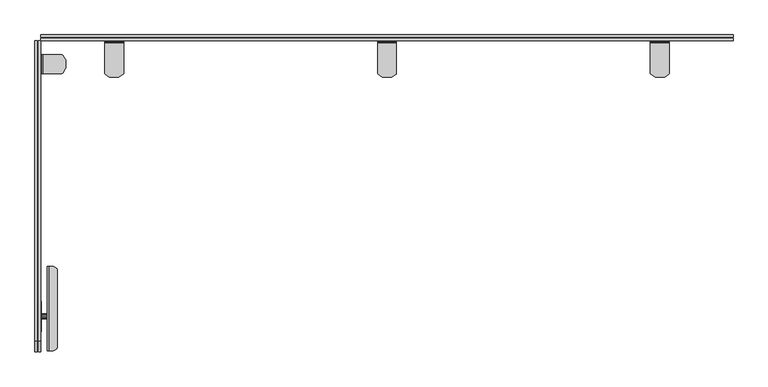
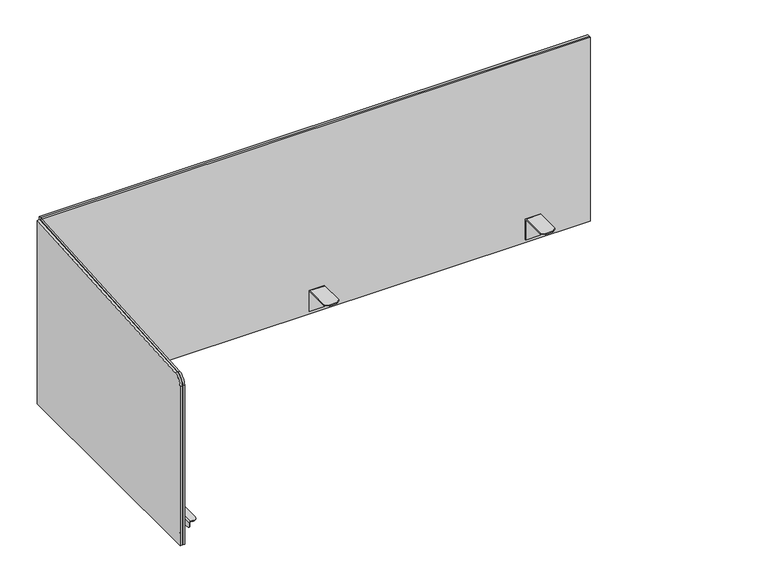
"""IFC4 building model written with IfcOpenShell, lengths in millimetres: furniture geometry."""

from ifc_helpers import new_model, si_unit, point, frame, frame_2d, origin, place, context, project, spatial, polyline, circle_curve, trimmed, segment, composite_curve, outline, extrude, faceted_brep, source, transform, mapped, element, save
from ifc_brep_helpers import plane_surface, cylinder_surface, advanced_brep


def furniture_edfdad1c(model_context):
    return source(origin(), model_context, "Body", "SolidModel", [
        extrude(outline(polyline([(-538.9641953, 701.6102412), (-533.8842001, 700.2490597), (-530.1653864, 696.530246), (-528.8087787, 691.4673203), (-528.8087787, 645.7131523), (-530.1653864, 640.6502266), (-533.8842001, 636.9314129), (-538.9641953, 635.5702315), (-583.4142074, 635.5702315), (-588.4942025, 636.9314129), (-592.2130162, 640.6502266), (-593.6239901, 645.9160497), (-593.6239901, 691.264423), (-592.2130162, 696.530246), (-588.4942025, 700.2490597), (-583.4142074, 701.6102412), (-538.9641953, 701.6102412)])), frame((0.0, 0.0, 0.0), z_axis=(1.0, 0.0, 0.0), x_axis=(0.0, 1.0, 0.0)), (0.0, 0.0, 1.0), 1.5260599),
        extrude(outline(composite_curve([segment(polyline([(690.1065829, 13.9575148), (690.1065829, 15.73666)]), True, "CONTINUOUS"), segment(trimmed(circle_curve(frame_2d((690.1810291, 17.1842629)), 1.449516), [point((690.1065829, 15.73666))], [point((691.6305451, 17.1842629))], True, "CARTESIAN"), True, "CONTINUOUS"), segment(polyline([(691.6305451, 17.1842629), (693.4085616, 17.1842629)]), True, "CONTINUOUS"), segment(trimmed(circle_curve(frame_2d((690.1809564, 17.1842629)), 3.2276051), [point((693.4085616, 17.1842629))], [point((690.1065829, 13.9575148))], False, "CARTESIAN"), True, "CONTINUOUS")], self_intersect=False)), frame((0.0, -634.341186, 0.0), z_axis=(0.0, 1.0, 0.0), x_axis=(0.0, 0.0, 1.0)), (0.0, 0.0, 1.0), 179.8320102),
        extrude(outline(polyline([(-565.6380395, 651.5024712), (-562.888498, 653.500169), (-559.4898683, 653.500169), (-556.7403268, 651.5024712), (-555.6901002, 648.270183), (-556.7403268, 645.0378949), (-559.4898683, 643.0402697), (-562.888498, 643.0402697), (-565.6380395, 645.0378949), (-566.6883024, 648.270183), (-565.6380395, 651.5024712)])), frame((1.5260599, 0.0, 0.0), z_axis=(1.0, 0.0, 0.0), x_axis=(0.0, 1.0, 0.0)), (0.0, 0.0, 1.0), 12.4305979),
        extrude(outline(composite_curve([segment(polyline([(17.1842629, -454.5091759), (24.6255536, -454.5091759)]), True, "CONTINUOUS"), segment(trimmed(circle_curve(frame_2d((24.6255536, -465.6842955)), 11.1751197), [point((24.6255536, -454.5091759))], [point((35.8006733, -465.6842955))], False, "CARTESIAN"), True, "CONTINUOUS"), segment(polyline([(35.8006733, -465.6842955), (35.8006733, -623.29912)]), True, "CONTINUOUS"), segment(trimmed(circle_curve(frame_2d((24.7586072, -623.29912)), 11.0420661), [point((35.8006733, -623.29912))], [point((24.7586072, -634.341186))], False, "CARTESIAN"), True, "CONTINUOUS"), segment(polyline([(24.7586072, -634.341186), (17.1842629, -634.341186), (17.1842629, -454.5091759)]), True, "CONTINUOUS")], self_intersect=False)), frame((0.0, 0.0, 691.6305451), z_axis=(0.0, 0.0, 1.0), x_axis=(1.0, 0.0, 0.0)), (0.0, 0.0, 1.0), 1.7780165),
        extrude(outline(composite_curve([segment(polyline([(-454.5091759, 690.1065829), (-454.5091759, 666.7385567)]), True, "CONTINUOUS"), segment(trimmed(circle_curve(frame_2d((-460.8591759, 666.7385567)), 6.35), [point((-454.5091759, 666.7385567))], [point((-460.8591759, 660.3885567))], False, "CARTESIAN"), True, "CONTINUOUS"), segment(polyline([(-460.8591759, 660.3885567), (-523.0891953, 660.3885567)]), True, "CONTINUOUS"), segment(trimmed(circle_curve(frame_2d((-523.0891953, 654.0385567)), 6.35), [point((-523.0891953, 660.3885567))], [point((-529.4391953, 654.0385567))], True, "CARTESIAN"), True, "CONTINUOUS"), segment(polyline([(-529.4391953, 654.0385567), (-529.4391953, 639.814546)]), True, "CONTINUOUS"), segment(trimmed(circle_curve(frame_2d((-535.7891953, 639.814546)), 6.35), [point((-529.4391953, 639.814546))], [point((-535.7891953, 633.464546))], False, "CARTESIAN"), True, "CONTINUOUS"), segment(polyline([(-535.7891953, 633.464546), (-586.5892074, 633.464546)]), True, "CONTINUOUS"), segment(trimmed(circle_curve(frame_2d((-586.5892074, 639.814546)), 6.35), [point((-586.5892074, 633.464546))], [point((-592.9392074, 639.814546))], False, "CARTESIAN"), True, "CONTINUOUS"), segment(polyline([(-592.9392074, 639.814546), (-592.9392074, 664.4132587)]), True, "CONTINUOUS"), segment(trimmed(circle_curve(frame_2d((-599.2892074, 664.4132587)), 6.35), [point((-592.9392074, 664.4132587))], [point((-598.3396597, 670.691862))], True, "CARTESIAN"), True, "CONTINUOUS"), segment(polyline([(-598.3396597, 670.691862), (-629.289791, 675.3726202)]), True, "CONTINUOUS"), segment(trimmed(circle_curve(frame_2d((-628.4016172, 681.245407)), 5.9395689), [point((-629.289791, 675.3726202))], [point((-634.341186, 681.245407))], False, "CARTESIAN"), True, "CONTINUOUS"), segment(polyline([(-634.341186, 681.245407), (-634.341186, 690.1065829), (-454.5091759, 690.1065829)]), True, "CONTINUOUS")], self_intersect=False)), frame((13.9566578, 0.0, 0.0), z_axis=(1.0, 0.0, 0.0), x_axis=(0.0, 1.0, 0.0)), (0.0, 0.0, 1.0), 1.7780891),
        faceted_brep([(4.9568201, -44.5683306, 706.2267714), (2.178969, -44.5683306, 705.3841629), (0.7994719, -44.5683306, 704.0046687), (0.0, -44.5683306, 701.3691329), (0.0, -44.5683306, 646.2268), (2.45682, -44.5683306, 646.2268), (2.45682, -44.5683306, 701.2267859), (2.6471214, -44.5683306, 702.1834862), (3.1890529, -44.5683306, 702.9945559), (4.9568201, -44.5683306, 703.7267786), (45.0854639, -44.5683306, 703.7267786), (45.0854639, -44.5683306, 706.2267714), (4.9568201, -4.6697508, 703.7267786), (3.1890529, -4.6697508, 702.9945559), (2.6471214, -4.6697508, 702.1834862), (2.45682, -4.6697508, 701.2267859), (2.45682, -4.6697508, 646.2268), (0.0, -4.6697508, 646.2268), (0.0, -4.6697508, 701.3691329), (0.7994719, -4.6697508, 704.0046687), (2.178969, -4.6697508, 705.3841629), (4.9568201, -4.6697508, 706.2267714), (44.8947206, -4.6697508, 706.2267714), (44.8947206, -4.6697508, 703.7267786), (46.5527953, -5.5513648, 703.7267786), (52.6162106, -14.5407519, 703.7267786), (52.958141, -15.6591395, 703.7267786), (52.958141, -33.6803619, 703.7267786), (52.6162106, -34.7987484, 703.7267786), (46.5527953, -43.7881366, 703.7267786), (52.958141, -15.6591395, 706.2267714), (52.958141, -33.6803619, 706.2267714), (46.5527953, -43.7881366, 706.2267714), (52.6162106, -34.7987484, 706.2267714), (52.6162106, -14.5407519, 706.2267714), (46.5527953, -5.5513648, 706.2267714)], [[[0, 1, 2, 3, 4, 5, 6, 7, 8, 9, 10, 11]], [[12, 13, 14, 15, 16, 17, 18, 19, 20, 21, 22, 23]], [[1, 0, 21, 20]], [[2, 1, 20, 19]], [[3, 2, 19, 18]], [[4, 3, 18, 17]], [[5, 4, 17, 16]], [[6, 5, 16, 15]], [[7, 6, 15, 14]], [[8, 7, 14, 13]], [[9, 8, 13, 12]], [[9, 12, 23, 24, 25, 26, 27, 28, 29, 10]], [[27, 26, 30, 31]], [[21, 0, 11, 32, 33, 31, 30, 34, 35, 22]], [[25, 34, 30, 26]], [[35, 24, 23, 22]], [[34, 25, 24, 35]], [[33, 28, 27, 31]], [[28, 33, 32, 29]], [[29, 32, 11, 10]]]),
        faceted_brep([(136.071692, 20.4011265, 703.7267786), (136.071692, -44.5354531, 703.7267786), (136.071692, -44.5354531, 706.2267714), (136.071692, 20.4011265, 706.2267714), (136.071692, 23.1789774, 705.3841629), (136.071692, 24.5584763, 704.0046687), (136.071692, 25.4011279, 701.2267859), (136.071692, 25.4011279, 646.2268), (136.071692, 22.901126, 646.2268), (136.071692, 22.901126, 701.2267859), (136.071692, 22.710826, 702.1834862), (136.071692, 22.1688942, 702.9945559), (176.071685, 20.4011265, 706.2267714), (176.071685, -44.5354531, 706.2267714), (176.071685, -44.5354531, 703.7267786), (176.071685, 20.4011265, 703.7267786), (176.071685, 22.1688942, 702.9945559), (176.071685, 22.710826, 702.1834862), (176.071685, 22.901126, 701.2267859), (176.071685, 22.901126, 646.2268), (176.071685, 25.4011279, 646.2268), (176.071685, 25.4011279, 701.2267859), (176.071685, 24.5584763, 704.0046687), (176.071685, 23.1789774, 705.3841629), (147.061083, -52.5988736, 706.2267714), (147.061083, -52.5988736, 703.7267786), (165.082294, -52.5988736, 703.7267786), (165.082294, -52.5988736, 706.2267714), (175.1900709, -46.1935278, 703.7267786), (166.2006851, -52.2569431, 703.7267786), (145.9426919, -52.2569431, 703.7267786), (136.953306, -46.1935278, 703.7267786), (136.953306, -46.1935278, 706.2267714), (145.9426919, -52.2569431, 706.2267714), (166.2006851, -52.2569431, 706.2267714), (175.1900709, -46.1935278, 706.2267714)], [[[0, 1, 2, 3, 4, 5, 6, 7, 8, 9, 10, 11]], [[12, 13, 14, 15, 16, 17, 18, 19, 20, 21, 22, 23]], [[24, 25, 26, 27]], [[15, 14, 28, 29, 26, 25, 30, 31, 1, 0]], [[11, 16, 15, 0]], [[10, 17, 16, 11]], [[9, 18, 17, 10]], [[8, 19, 18, 9]], [[7, 20, 19, 8]], [[6, 21, 20, 7]], [[5, 22, 21, 6]], [[4, 23, 22, 5]], [[3, 12, 23, 4]], [[3, 2, 32, 33, 24, 27, 34, 35, 13, 12]], [[28, 14, 13, 35]], [[34, 27, 26, 29]], [[35, 34, 29, 28]], [[30, 25, 24, 33]], [[32, 2, 1, 31]], [[33, 32, 31, 30]]]),
        faceted_brep([(1334.5769752, 20.4011265, 703.7267786), (1334.5769752, 22.1688942, 702.9945559), (1334.5769752, 22.710826, 702.1834862), (1334.5769752, 22.901126, 701.2267859), (1334.5769752, 22.901126, 646.2268), (1334.5769752, 25.4011279, 646.2268), (1334.5769752, 25.4011279, 701.2267859), (1334.5769752, 24.5584763, 704.0046687), (1334.5769752, 23.1789774, 705.3841629), (1334.5769752, 20.4011265, 706.2267714), (1334.5769752, -44.5354531, 706.2267714), (1334.5769752, -44.5354531, 703.7267786), (1294.5769822, 20.4011265, 706.2267714), (1294.5769822, 23.1789774, 705.3841629), (1294.5769822, 24.5584763, 704.0046687), (1294.5769822, 25.4011279, 701.2267859), (1294.5769822, 25.4011279, 646.2268), (1294.5769822, 22.901126, 646.2268), (1294.5769822, 22.901126, 701.2267859), (1294.5769822, 22.710826, 702.1834862), (1294.5769822, 22.1688942, 702.9945559), (1294.5769822, 20.4011265, 703.7267786), (1294.5769822, -44.5354531, 703.7267786), (1294.5769822, -44.5354531, 706.2267714), (1323.5875842, -52.5988736, 706.2267714), (1305.5663732, -52.5988736, 706.2267714), (1305.5663732, -52.5988736, 703.7267786), (1323.5875842, -52.5988736, 703.7267786), (1333.6953611, -46.1935278, 703.7267786), (1324.7059752, -52.2569431, 703.7267786), (1304.4479821, -52.2569431, 703.7267786), (1295.4585962, -46.1935278, 703.7267786), (1295.4585962, -46.1935278, 706.2267714), (1304.4479821, -52.2569431, 706.2267714), (1324.7059752, -52.2569431, 706.2267714), (1333.6953611, -46.1935278, 706.2267714)], [[[0, 1, 2, 3, 4, 5, 6, 7, 8, 9, 10, 11]], [[12, 13, 14, 15, 16, 17, 18, 19, 20, 21, 22, 23]], [[24, 25, 26, 27]], [[21, 0, 11, 28, 29, 27, 26, 30, 31, 22]], [[1, 0, 21, 20]], [[2, 1, 20, 19]], [[3, 2, 19, 18]], [[4, 3, 18, 17]], [[5, 4, 17, 16]], [[6, 5, 16, 15]], [[7, 6, 15, 14]], [[8, 7, 14, 13]], [[9, 8, 13, 12]], [[9, 12, 23, 32, 33, 25, 24, 34, 35, 10]], [[31, 32, 23, 22]], [[33, 30, 26, 25]], [[32, 31, 30, 33]], [[29, 34, 24, 27]], [[35, 28, 11, 10]], [[34, 29, 28, 35]]]),
        faceted_brep([(755.4774282, 20.4011265, 703.7267786), (755.4774282, 22.1688942, 702.9945559), (755.4774282, 22.710826, 702.1834862), (755.4774282, 22.901126, 701.2267859), (755.4774282, 22.901126, 646.2268), (755.4774282, 25.4011279, 646.2268), (755.4774282, 25.4011279, 701.2267859), (755.4774282, 24.5584763, 704.0046687), (755.4774282, 23.1789774, 705.3841629), (755.4774282, 20.4011265, 706.2267714), (755.4774282, -44.5354531, 706.2267714), (755.4774282, -44.5354531, 703.7267786), (715.4774352, 20.4011265, 706.2267714), (715.4774352, 23.1789774, 705.3841629), (715.4774352, 24.5584763, 704.0046687), (715.4774352, 25.4011279, 701.2267859), (715.4774352, 25.4011279, 646.2268), (715.4774352, 22.901126, 646.2268), (715.4774352, 22.901126, 701.2267859), (715.4774352, 22.710826, 702.1834862), (715.4774352, 22.1688942, 702.9945559), (715.4774352, 20.4011265, 703.7267786), (715.4774352, -44.5354531, 703.7267786), (715.4774352, -44.5354531, 706.2267714), (744.4880372, -52.5988736, 706.2267714), (726.4668262, -52.5988736, 706.2267714), (726.4668262, -52.5988736, 703.7267786), (744.4880372, -52.5988736, 703.7267786), (754.5958142, -46.1935278, 703.7267786), (745.6064283, -52.2569431, 703.7267786), (725.3484351, -52.2569431, 703.7267786), (716.3590493, -46.1935278, 703.7267786), (716.3590493, -46.1935278, 706.2267714), (725.3484351, -52.2569431, 706.2267714), (745.6064283, -52.2569431, 706.2267714), (754.5958142, -46.1935278, 706.2267714)], [[[0, 1, 2, 3, 4, 5, 6, 7, 8, 9, 10, 11]], [[12, 13, 14, 15, 16, 17, 18, 19, 20, 21, 22, 23]], [[24, 25, 26, 27]], [[21, 0, 11, 28, 29, 27, 26, 30, 31, 22]], [[1, 0, 21, 20]], [[2, 1, 20, 19]], [[3, 2, 19, 18]], [[4, 3, 18, 17]], [[5, 4, 17, 16]], [[6, 5, 16, 15]], [[7, 6, 15, 14]], [[8, 7, 14, 13]], [[9, 8, 13, 12]], [[9, 12, 23, 32, 33, 25, 24, 34, 35, 10]], [[31, 32, 23, 22]], [[33, 30, 26, 25]], [[32, 31, 30, 33]], [[29, 34, 24, 27]], [[35, 28, 11, 10]], [[34, 29, 28, 35]]]),
        advanced_brep(
        [(-6.7836549, 25.4011271, 636.2192), (-6.7836549, -636.6080487, 636.2192), (-12.0241298, -636.6080487, 636.2192), (-12.0241298, 25.4011271, 636.2192), (-12.0241298, 25.4011271, 1157.224), (-6.7836549, 25.4011271, 1157.2203347), (-12.0241298, -636.6080487, 1087.2634838), (-12.0241298, -613.529928, 1112.5571366), (-6.7836549, -636.6080487, 1087.2634838), (-6.7836549, -613.529928, 1112.5571366)],
        [
            (0, 1),
            (1, 2),
            (2, 3),
            (3, 0),
            (3, 4),
            (4, 5),
            (5, 0),
            (2, 6),
            (6, 7, circle_curve(frame((-12.0241298, -611.2080487, 1087.2634838), z_axis=(-1.0, 0.0, 0.0), x_axis=(0.0, 1.0, 0.0)), 25.4)),
            (7, 4),
            (1, 8),
            (8, 6),
            (5, 9),
            (9, 8, circle_curve(frame((-6.7836549, -611.2080487, 1087.2634838), z_axis=(1.0, 0.0, 0.0), x_axis=(0.0, 1.0, 0.0)), 25.4)),
            (9, 7),
        ],
        [
            plane_surface(frame((-53.1876919, 25.4011271, 636.2192), z_axis=(0.0, 0.0, -1.0), x_axis=(1.0, 0.0, 0.0))),
            plane_surface(frame((-6.7836549, 25.4011271, 1157.224), z_axis=(0.0, 1.0, 0.0), x_axis=(0.0, 0.0, -1.0))),
            plane_surface(frame((-12.0241298, 25.4011271, 1157.224), z_axis=(-1.0, 0.0, 0.0), x_axis=(0.0, 0.0, -1.0))),
            plane_surface(frame((-12.0241298, -636.6080487, 1157.224), z_axis=(0.0, -1.0, 0.0), x_axis=(0.0, 0.0, -1.0))),
            plane_surface(frame((-6.7836549, -636.6080487, 1157.224), z_axis=(1.0, 0.0, 0.0), x_axis=(0.0, 0.0, -1.0))),
            cylinder_surface(frame((-50.1241298, -611.2080487, 1087.2634838), z_axis=(-1.0, 0.0, 0.0), x_axis=(0.0, 1.0, 0.0)), 25.4),
            plane_surface(frame((1215.517, -613.529928, 1112.5571366), z_axis=(0.0, -0.06973283619163641, 0.997565702877094), x_axis=(-1.0, 0.0, 0.0))),
        ],
        [
            (0, [[1, 2, 3, 4]]),
            (1, [[-4, 5, 6, 7]]),
            (2, [[-3, 8, 9, 10, -5]]),
            (3, [[-2, 11, 12, -8]]),
            (4, [[-1, -7, 13, 14, -11]]),
            (5, [[15, -9, -12, -14]]),
            (6, [[-15, -13, -6, -10]]),
        ],
    ),
        advanced_brep(
        [(-5.2836551, 25.4011271, 636.2192), (0.0, 25.4011271, 636.2192), (0.0, -636.6080487, 636.2192), (-5.2836551, -636.6080487, 636.2192), (-5.2836551, -636.6080487, 1087.2634838), (-5.2836551, -613.529928, 1112.5571366), (-5.2836551, 25.4013821, 1157.2203526), (0.0, -636.6080487, 1087.2634838), (0.0, 25.4011271, 1157.224), (0.0, -613.529928, 1112.5571366)],
        [
            (0, 1),
            (1, 2),
            (2, 3),
            (3, 0),
            (3, 4),
            (4, 5, circle_curve(frame((-5.2836551, -611.2080487, 1087.2634838), z_axis=(-1.0, 0.0, 0.0), x_axis=(0.0, 1.0, 0.0)), 25.4)),
            (5, 6),
            (6, 0),
            (2, 7),
            (7, 4),
            (1, 8),
            (8, 9),
            (9, 7, circle_curve(frame((0.0, -611.2080487, 1087.2634838), z_axis=(1.0, 0.0, 0.0), x_axis=(0.0, 1.0, 0.0)), 25.4)),
            (6, 8),
            (9, 5),
        ],
        [
            plane_surface(frame((-53.1876919, 25.4011271, 636.2192), z_axis=(0.0, 0.0, -1.0), x_axis=(1.0, 0.0, 0.0))),
            plane_surface(frame((-5.2836551, 25.4011271, 1157.224), z_axis=(-1.0, 0.0, 0.0), x_axis=(0.0, 0.0, -1.0))),
            plane_surface(frame((-5.2836551, -636.6080487, 1157.224), z_axis=(0.0, -1.0, 0.0), x_axis=(0.0, 0.0, -1.0))),
            plane_surface(frame((0.0, -636.6080487, 1157.224), z_axis=(1.0, 0.0, 0.0), x_axis=(0.0, 0.0, -1.0))),
            plane_surface(frame((0.0, 25.4011271, 1157.224), z_axis=(0.0, 1.0, 0.0), x_axis=(0.0, 0.0, -1.0))),
            cylinder_surface(frame((-50.1241298, -611.2080487, 1087.2634838), z_axis=(-1.0, 0.0, 0.0), x_axis=(0.0, 1.0, 0.0)), 25.4),
            plane_surface(frame((1215.517, -613.529928, 1112.5571366), z_axis=(0.0, -0.06973283619163641, 0.997565702877094), x_axis=(-1.0, 0.0, 0.0))),
        ],
        [
            (0, [[1, 2, 3, 4]]),
            (1, [[-4, 5, 6, 7, 8]]),
            (2, [[-3, 9, 10, -5]]),
            (3, [[-2, 11, 12, 13, -9]]),
            (4, [[-1, -8, 14, -11]]),
            (5, [[15, -6, -10, -13]]),
            (6, [[-15, -12, -14, -7]]),
        ],
    ),
        extrude(outline(polyline([(0.0, 32.1404755), (0.0, 37.3809513), (1470.1928702, 37.3809513), (1470.1928702, 32.1404755), (0.0, 32.1404755)])), frame((0.0, 0.0, 636.2192), z_axis=(0.0, 0.0, 1.0), x_axis=(1.0, 0.0, 0.0)), (0.0, 0.0, 1.0), 521.0048),
        extrude(outline(polyline([(1470.1928702, 25.4011271), (0.0, 25.4011271), (0.0, 30.6404739), (1470.1928702, 30.6404739), (1470.1928702, 25.4011271)])), frame((0.0, 0.0, 636.2192), z_axis=(0.0, 0.0, 1.0), x_axis=(1.0, 0.0, 0.0)), (0.0, 0.0, 1.0), 521.0048),
    ])


if __name__ == "__main__":
    model = new_model("IFC4")
    model_context = context("Model", 3, world=origin())
    ifc_project = project(units=[si_unit("LENGTHUNIT", "METRE", prefix="MILLI")], contexts=[model_context])
    site = spatial("IfcSite", under=ifc_project)
    building = spatial("IfcBuilding", under=site)
    placement = place(None, origin())
    furniture_shape = furniture_edfdad1c(model_context)
    element("IfcFurniture", 1, at=placement, inside=building, context=model_context, shape_type="MappedRepresentation", body=[
        mapped(furniture_shape, transform((0.0, 0.0, 0.0), x_axis=(1.0, 0.0, 0.0), y_axis=(0.0, 1.0, 0.0), z_axis=(0.0, 0.0, 1.0))),
    ])
    save(model, "model.ifc")
